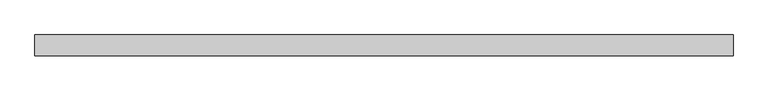
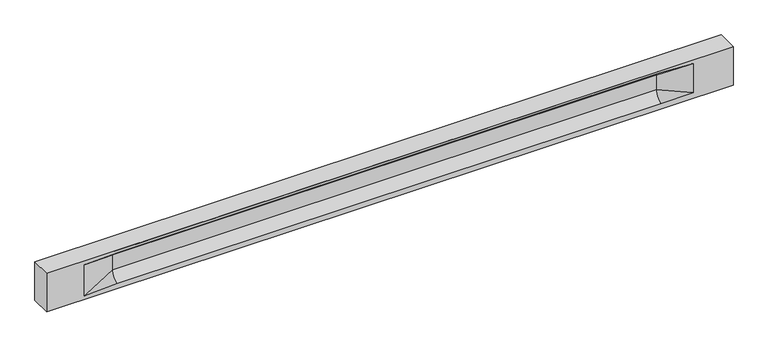
"""IFC4 building model written with IfcOpenShell, lengths in millimetres: beam geometry."""

from ifc_helpers import new_model, si_unit, frame, origin, place, context, project, spatial, polyline, circle_curve, source, transform, mapped, element, save
from ifc_brep_helpers import plane_surface, revolved_surface, spline_surface, advanced_brep


def beam_1d2d15f9(model_context):
    return source(origin(), model_context, "Body", "AdvancedBrep", [
        advanced_brep(
        [(8434.5, -250.0, 500.0), (8434.5, -250.0, -500.0), (8434.5, 250.0, -500.0), (8434.5, 250.0, 500.0), (-8434.5, -250.0, 500.0), (-8434.5, -250.0, -500.0), (7459.5, -250.0, -362.0), (6659.5, -250.0, -360.0), (-6704.5, -250.0, -360.0), (-7504.5, -250.0, -400.0), (-7504.5, -250.0, 400.0), (-6704.5, -250.0, 435.0), (6659.5, -250.0, 435.0), (7459.5, -250.0, 400.0), (-8434.5, 250.0, -500.0), (-8434.5, 250.0, 500.0), (7459.5, 250.0, 400.0), (6659.5, 250.0, 435.0), (-6704.5, 250.0, 435.0), (-7504.5, 250.0, 400.0), (-7504.5, 250.0, -400.0), (-6704.5, 250.0, -360.0), (6659.5, 250.0, -360.0), (7459.5, 250.0, -362.0), (6659.5, 155.0, 405.0), (-6704.5, 155.0, 405.0), (6659.5, 60.0, 262.777021), (-6704.5, 60.0, 262.777021), (6659.5, 60.0, -120.0), (-6704.5, 60.0, -120.0), (6659.5, -60.0, -120.0), (-6704.5, -60.0, -120.0), (6659.5, -60.0, 262.777021), (-6704.5, -60.0, 262.777021), (6659.5, -155.0, 405.0), (-6704.5, -155.0, 405.0)],
        [
            (0, 1),
            (1, 2),
            (2, 3),
            (3, 0),
            (0, 4),
            (4, 5),
            (5, 1),
            (6, 7),
            (7, 8),
            (8, 9),
            (9, 10),
            (10, 11),
            (11, 12),
            (12, 13),
            (13, 6),
            (5, 14),
            (14, 2),
            (14, 15),
            (15, 3),
            (16, 17),
            (17, 18),
            (18, 19),
            (19, 20),
            (20, 21),
            (21, 22),
            (22, 23),
            (23, 16),
            (15, 4),
            (17, 24),
            (24, 25),
            (25, 18),
            (24, 26, circle_curve(frame((6659.5, 213.9598725, 262.777021), z_axis=(1.0, 0.0, 0.0), x_axis=(0.0, 1.0, 0.0)), 153.9598725)),
            (26, 27),
            (27, 25, circle_curve(frame((-6704.5, 213.9598725, 262.777021), z_axis=(-1.0, 0.0, 0.0), x_axis=(0.0, 1.0, 0.0)), 153.9598725)),
            (26, 28),
            (28, 29),
            (29, 27),
            (28, 22, circle_curve(frame((6659.5, 306.5789474, -120.0), z_axis=(1.0, 0.0, 0.0), x_axis=(0.0, 1.0, 0.0)), 246.5789474)),
            (21, 29, circle_curve(frame((-6704.5, 306.5789474, -120.0), z_axis=(-1.0, 0.0, 0.0), x_axis=(0.0, 1.0, 0.0)), 246.5789474)),
            (7, 30, circle_curve(frame((6659.5, -306.5789474, -120.0), z_axis=(1.0, 0.0, 0.0), x_axis=(0.0, 1.0, 0.0)), 246.5789474)),
            (30, 31),
            (31, 8, circle_curve(frame((-6704.5, -306.5789474, -120.0), z_axis=(-1.0, 0.0, 0.0), x_axis=(0.0, 1.0, 0.0)), 246.5789474)),
            (30, 32),
            (32, 33),
            (33, 31),
            (32, 34, circle_curve(frame((6659.5, -213.9598725, 262.777021), z_axis=(1.0, 0.0, 0.0), x_axis=(0.0, 1.0, 0.0)), 153.9598725)),
            (34, 35),
            (35, 33, circle_curve(frame((-6704.5, -213.9598725, 262.777021), z_axis=(-1.0, 0.0, 0.0), x_axis=(0.0, 1.0, 0.0)), 153.9598725)),
            (34, 12),
            (11, 35),
            (27, 19),
            (19, 25),
            (10, 35),
            (10, 33),
            (9, 31),
            (20, 29),
            (34, 13),
            (32, 13),
            (30, 6),
            (28, 23),
            (26, 16),
            (24, 16),
        ],
        [
            plane_surface(frame((8434.5, 0.0, 0.0), z_axis=(1.0, 0.0, 0.0), x_axis=(0.0, 0.0, 1.0))),
            plane_surface(frame((8434.5, -250.0, 500.0), z_axis=(0.0, -1.0, 0.0), x_axis=(-1.0, 0.0, 0.0))),
            plane_surface(frame((8434.5, -250.0, -500.0), z_axis=(0.0, 0.0, -1.0), x_axis=(-1.0, 0.0, 0.0))),
            plane_surface(frame((8434.5, 250.0, -500.0), z_axis=(0.0, 1.0, 0.0), x_axis=(-1.0, 0.0, 0.0))),
            plane_surface(frame((8434.5, 250.0, 500.0), z_axis=(0.0, 0.0, 1.0), x_axis=(-1.0, 0.0, 0.0))),
            plane_surface(frame((-6704.5, 250.0, 435.0), z_axis=(0.0, 0.30113136793710954, -0.9535826651341378), x_axis=(1.0, 0.0, 0.0))),
            revolved_surface(polyline([(6659.5, 367.919745, 262.777021), (-6704.5, 367.919745, 262.777021)]), (-6704.5, 213.9598725, 262.777021), (1.0, 0.0, 0.0)),
            plane_surface(frame((-6704.5, 60.0, 262.777021), z_axis=(0.0, 1.0, 0.0), x_axis=(1.0, 0.0, 0.0))),
            revolved_surface(polyline([(6659.5, 553.1578948, -120.0), (-6704.5, 553.1578948, -120.0)]), (-6704.5, 306.5789474, -120.0), (1.0, 0.0, 0.0)),
            revolved_surface(polyline([(6659.5, -60.0, -120.0), (-6704.5, -60.0, -120.0)]), (-6704.5, -306.5789474, -120.0), (1.0, 0.0, 0.0)),
            plane_surface(frame((-6704.5, -60.0, -120.0), z_axis=(0.0, -1.0, 0.0), x_axis=(1.0, 0.0, 0.0))),
            revolved_surface(polyline([(6659.5, -60.0, 262.777021), (-6704.5, -60.0, 262.777021)]), (-6704.5, -213.9598725, 262.777021), (1.0, 0.0, 0.0)),
            plane_surface(frame((-6704.5, -155.0, 405.0), z_axis=(0.0, -0.30113136793710693, -0.9535826651341387), x_axis=(1.0, 0.0, 0.0))),
            spline_surface(2, 1, [[(-7504.5, 250.0, 400.0), (-6704.5, 60.0, 262.777021)], [(-7504.5, 250.0, 400.0), (-6704.5, 59.99999995452379, 365.6168572954922)], [(-7504.5, 250.0, 400.0), (-6704.5, 155.0, 405.0)]], [3, 3], [2, 2], [0.0, 1.0], [0.0, 1.0], weights=[[1.0, 1.0], [0.8315515921160737, 0.8315515921160737], [1.0, 1.0]]),
            plane_surface(frame((-7504.5, 250.0, 400.0), z_axis=(0.04168298285568759, 0.30086965068766386, -0.9527538938442265), x_axis=(0.0, 0.9535826651341378, 0.30113136793710954))),
            plane_surface(frame((-7504.5, -250.0, 400.0), z_axis=(0.041682982855687625, -0.30086965068766125, -0.9527538938442274), x_axis=(0.0, 0.9535826651341387, -0.30113136793710693))),
            spline_surface(2, 1, [[(-7504.5, -250.0, 400.0), (-6704.5, -155.0, 405.0)], [(-7504.5, -250.0, 400.0), (-6704.5, -60.00000008030692, 365.6168572114734)], [(-7504.5, -250.0, 400.0), (-6704.5, -60.0, 262.777021)]], [3, 3], [2, 2], [0.0, 1.0], [0.0, 1.0], weights=[[1.0, 1.0], [0.8315515924557569, 0.8315515924557569], [1.0, 1.0]]),
            plane_surface(frame((-7504.5, -250.0, 0.0), z_axis=(0.2310724307958988, -0.9729365507195599, 0.0), x_axis=(0.0, 0.0, -1.0))),
            spline_surface(2, 1, [[(-7504.5, -250.0, -400.0), (-6704.5, -60.0, -120.0)], [(-7504.5, -250.0, -400.0), (-6704.5, -59.99999998020837, -315.20833333333337)], [(-7504.5, -250.0, -400.0), (-6704.5, -250.0, -360.0)]], [3, 3], [2, 2], [0.0, 1.0], [0.0, 1.0], weights=[[1.0, 1.0], [0.7840458244617614, 0.7840458244617614], [1.0, 1.0]]),
            spline_surface(2, 1, [[(-7504.5, 250.0, -400.0), (-6704.5, 250.0, -360.0)], [(-7504.5, 250.0, -400.0), (-6704.5, 60.00000002887427, -315.20833329480604)], [(-7504.5, 250.0, -400.0), (-6704.5, 60.0, -120.0)]], [3, 3], [2, 2], [0.0, 1.0], [0.0, 1.0], weights=[[1.0, 1.0], [0.7840458245391329, 0.7840458245391329], [1.0, 1.0]]),
            plane_surface(frame((-7504.5, 250.0, 0.0), z_axis=(0.23107243079589448, 0.9729365507195609, 0.0), x_axis=(0.0, 0.0, 1.0))),
            plane_surface(frame((-8434.5, 0.0, 0.0), z_axis=(-1.0, 0.0, 0.0), x_axis=(0.0, 0.0, 1.0))),
            plane_surface(frame((6659.5, -202.5, 420.0), z_axis=(-0.04168298285568757, -0.30086965068766125, -0.9527538938442274), x_axis=(0.0, 0.9535826651341387, -0.30113136793710693))),
            spline_surface(2, 1, [[(6659.5, -155.0, 405.0), (7459.5, -250.0, 400.0)], [(6659.5, -60.00000008030692, 365.6168572114734), (7459.5, -250.0, 400.0)], [(6659.5, -60.0, 262.777021), (7459.5, -250.0, 400.0)]], [3, 3], [2, 2], [0.0, 1.0], [0.0, 1.0], weights=[[1.0, 1.0], [0.8315515924557569, 0.8315515924557569], [1.0, 1.0]]),
            plane_surface(frame((6659.5, -60.0, 71.3885105), z_axis=(-0.23107243079589793, -0.9729365507195601, 0.0), x_axis=(0.0, 0.0, -1.0))),
            spline_surface(2, 1, [[(6659.5, -60.0, -120.0), (7459.5, -250.0, -362.0)], [(6659.5, -59.99999998020837, -315.20833333333337), (7459.5, -250.0, -362.0)], [(6659.5, -250.0, -360.0), (7459.5, -250.0, -362.0)]], [3, 3], [2, 2], [0.0, 1.0], [0.0, 1.0], weights=[[1.0, 1.0], [0.7840458244617614, 0.7840458244617614], [1.0, 1.0]]),
            spline_surface(2, 1, [[(6659.5, 250.0, -360.0), (7459.5, 250.0, -362.0)], [(6659.5, 60.00000002887427, -315.20833329480604), (7459.5, 250.0, -362.0)], [(6659.5, 60.0, -120.0), (7459.5, 250.0, -362.0)]], [3, 3], [2, 2], [0.0, 1.0], [0.0, 1.0], weights=[[1.0, 1.0], [0.7840458245391329, 0.7840458245391329], [1.0, 1.0]]),
            plane_surface(frame((6659.5, 60.0, 71.3885105), z_axis=(-0.2310724307958915, 0.9729365507195615, 0.0), x_axis=(0.0, 0.0, 1.0))),
            spline_surface(2, 1, [[(6659.5, 60.0, 262.777021), (7459.5, 250.0, 400.0)], [(6659.5, 59.99999995452379, 365.6168572954922), (7459.5, 250.0, 400.0)], [(6659.5, 155.0, 405.0), (7459.5, 250.0, 400.0)]], [3, 3], [2, 2], [0.0, 1.0], [0.0, 1.0], weights=[[1.0, 1.0], [0.8315515921160737, 0.8315515921160737], [1.0, 1.0]]),
            plane_surface(frame((6659.5, 202.5, 420.0), z_axis=(-0.041682982855686834, 0.30086965068766386, -0.9527538938442265), x_axis=(0.0, 0.9535826651341378, 0.30113136793710954))),
        ],
        [
            (0, [[1, 2, 3, 4]]),
            (1, [[-1, 5, 6, 7], [8, 9, 10, 11, 12, 13, 14, 15]]),
            (2, [[-2, -7, 16, 17]]),
            (3, [[-3, -17, 18, 19], [20, 21, 22, 23, 24, 25, 26, 27]]),
            (4, [[-5, -4, -19, 28]]),
            (5, [[-21, 29, 30, 31]]),
            (6, [[-30, 32, 33, 34]]),
            (7, [[-33, 35, 36, 37]]),
            (8, [[-36, 38, -25, 39]]),
            (9, [[-9, 40, 41, 42]]),
            (10, [[-41, 43, 44, 45]]),
            (11, [[-44, 46, 47, 48]]),
            (12, [[-47, 49, -13, 50]]),
            (13, [[51, 52, -34]]),
            (14, [[-52, -22, -31]]),
            (15, [[-12, 53, -50]]),
            (16, [[-53, 54, -48]]),
            (17, [[-54, -11, 55, -45]]),
            (18, [[-55, -10, -42]]),
            (19, [[-24, 56, -39]]),
            (20, [[-51, -37, -56, -23]]),
            (21, [[-28, -18, -16, -6]]),
            (22, [[-14, -49, 57]]),
            (23, [[-57, -46, 58]]),
            (24, [[-58, -43, 59, -15]]),
            (25, [[-59, -40, -8]]),
            (26, [[-26, -38, 60]]),
            (27, [[-60, -35, 61, -27]]),
            (28, [[-61, -32, 62]]),
            (29, [[-62, -29, -20]]),
        ],
    ),
    ])


if __name__ == "__main__":
    model = new_model("IFC4")
    model_context = context("Model", 3, world=origin())
    ifc_project = project(units=[si_unit("LENGTHUNIT", "METRE", prefix="MILLI")], contexts=[model_context])
    site = spatial("IfcSite", under=ifc_project)
    building = spatial("IfcBuilding", under=site)
    placement = place(None, origin())
    beam_shape = beam_1d2d15f9(model_context)
    element("IfcBeam", 1, at=placement, inside=building, context=model_context, shape_type="MappedRepresentation", body=[
        mapped(beam_shape, transform((0.0, 0.0, 0.0), x_axis=(1.0, 0.0, 0.0), y_axis=(0.0, 1.0, 0.0), z_axis=(0.0, 0.0, 1.0))),
    ])
    save(model, "model.ifc")
